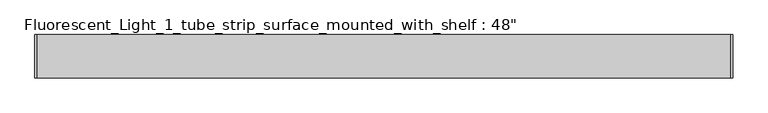
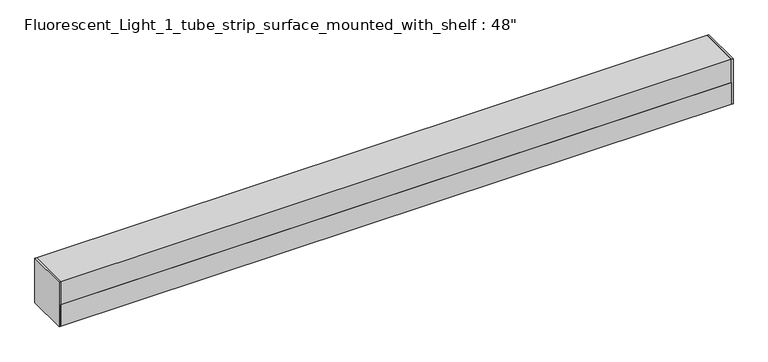
"""IFC4 building model written with IfcOpenShell, lengths in millimetres: light fixture geometry."""

from ifc_helpers import new_model, si_unit, point, frame, frame_2d, origin, place, context, project, spatial, polyline, circle_curve, trimmed, segment, composite_curve, outline, extrude, source, transform, mapped, element, save


def light_fixture_f0bf52ac(model_context):
    return source(origin(), model_context, "Body", "SweptSolid", [
        extrude(outline(polyline([(256.7435765, 1323.975), (180.5435765, 1323.975), (180.5435765, 1365.25), (183.7185765, 1365.25), (183.7185765, 1327.15), (253.5685765, 1327.15), (253.5685765, 1365.25), (256.7435765, 1365.25), (256.7435765, 1323.975)])), frame((-609.6, 0.0, 0.0), z_axis=(1.0, 0.0, 0.0), x_axis=(0.0, 1.0, 0.0)), (0.0, 0.0, 1.0), 1219.2),
        extrude(outline(polyline([(612.5752768, 180.5435765), (609.6, 180.5435765), (609.6, 256.7435765), (612.5752768, 256.7435765), (612.5752768, 180.5435765)])), frame((0.0, 0.0, 1323.975), z_axis=(0.0, 0.0, 1.0), x_axis=(1.0, 0.0, 0.0)), (0.0, 0.0, 1.0), 85.725),
        extrude(outline(polyline([(-609.6, 180.5435765), (-612.5752768, 180.5435765), (-612.5752768, 256.7435765), (-609.6, 256.7435765), (-609.6, 180.5435765)])), frame((0.0, 0.0, 1323.975), z_axis=(0.0, 0.0, 1.0), x_axis=(1.0, 0.0, 0.0)), (0.0, 0.0, 1.0), 85.725),
        extrude(outline(composite_curve([segment(polyline([(205.9435765, 1346.2), (205.9435765, 1371.6), (231.3435765, 1371.6), (231.3435765, 1346.2)]), True, "CONTINUOUS"), segment(trimmed(circle_curve(frame_2d((218.6435765, 1346.2)), 12.7), [point((231.3435765, 1346.2))], [point((205.9435765, 1346.2))], False, "CARTESIAN"), True, "CONTINUOUS")], self_intersect=False)), frame((590.55, 0.0, 0.0), z_axis=(1.0, 0.0, 0.0), x_axis=(0.0, 1.0, 0.0)), (0.0, 0.0, 1.0), 19.05),
        extrude(outline(polyline([(609.6, 180.5435765), (-609.6, 180.5435765), (-609.6, 256.7435765), (609.6, 256.7435765), (609.6, 180.5435765)])), frame((0.0, 0.0, 1365.25), z_axis=(0.0, 0.0, 1.0), x_axis=(1.0, 0.0, 0.0)), (0.0, 0.0, 1.0), 44.45),
        extrude(outline(polyline([(609.6, 205.9435765), (-609.6, 205.9435765), (-609.6, 231.3435765), (609.6, 231.3435765), (609.6, 205.9435765)])), frame((0.0, 0.0, 1365.25), z_axis=(0.0, 0.0, 1.0), x_axis=(1.0, 0.0, 0.0)), (0.0, 0.0, 1.0), 6.35),
        extrude(outline(composite_curve([segment(trimmed(circle_curve(frame_2d((218.6435765, 1346.2)), 12.7), [point((231.3435765, 1346.2))], [point((205.9435765, 1346.2))], False, "CARTESIAN"), True, "CONTINUOUS"), segment(polyline([(205.9435765, 1346.2), (205.9435765, 1371.6), (231.3435765, 1371.6), (231.3435765, 1346.2)]), True, "CONTINUOUS")], self_intersect=False)), frame((-609.6, 0.0, 0.0), z_axis=(1.0, 0.0, 0.0), x_axis=(0.0, 1.0, 0.0)), (0.0, 0.0, 1.0), 19.05),
        extrude(outline(composite_curve([segment(trimmed(circle_curve(frame_2d((218.6435765, 1346.2)), 12.7), [point((205.9435765, 1346.2))], [point((231.3435765, 1346.2))], False, "CARTESIAN"), True, "CONTINUOUS"), segment(trimmed(circle_curve(frame_2d((218.6435765, 1346.2)), 12.7), [point((231.3435765, 1346.2))], [point((205.9435765, 1346.2))], False, "CARTESIAN"), True, "CONTINUOUS")], self_intersect=False)), frame((-590.55, 0.0, 0.0), z_axis=(1.0, 0.0, 0.0), x_axis=(0.0, 1.0, 0.0)), (0.0, 0.0, 1.0), 1181.1),
    ])


if __name__ == "__main__":
    model = new_model("IFC4")
    model_context = context("Model", 3, world=origin())
    ifc_project = project(units=[si_unit("LENGTHUNIT", "METRE", prefix="MILLI")], contexts=[model_context])
    site = spatial("IfcSite", under=ifc_project)
    building = spatial("IfcBuilding", under=site)
    placement = place(None, origin())
    light_fixture_shape = light_fixture_f0bf52ac(model_context)
    element("IfcLightFixture", 1, ObjectType="Fluorescent_Light_1_tube_strip_surface_mounted_with_shelf : 48\"", at=placement, inside=building, context=model_context, shape_type="MappedRepresentation", body=[
        mapped(light_fixture_shape, transform((0.0, 0.0, 0.0), x_axis=(1.0, 0.0, 0.0), y_axis=(0.0, 1.0, 0.0), z_axis=(0.0, 0.0, 1.0))),
    ])
    save(model, "model.ifc")
